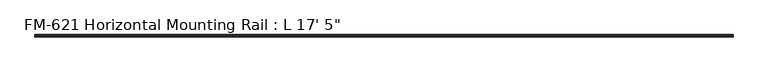
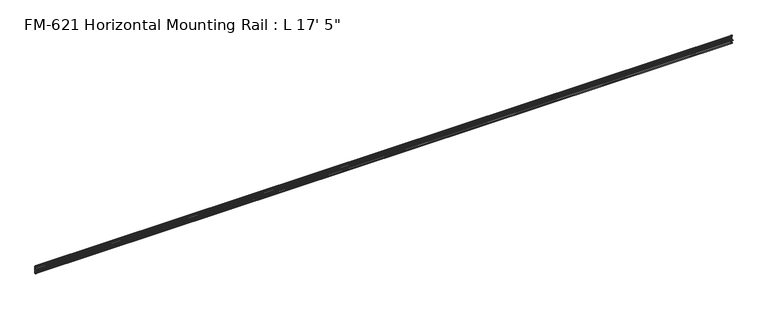
"""IFC4 building model written with IfcOpenShell, lengths in millimetres: proxy geometry."""

from ifc_helpers import new_model, si_unit, point, frame, frame_2d, origin, place, context, project, spatial, polyline, circle_curve, trimmed, segment, composite_curve, outline, extrude, source, transform, mapped, element, save


def proxy_afa64a6a(model_context):
    return source(origin(), model_context, "Body", "SweptSolid", [
        extrude(outline(composite_curve([segment(polyline([(13.6400687, 32.1158903), (15.4750158, 32.6885982)]), True, "CONTINUOUS"), segment(trimmed(circle_curve(frame_2d((15.6853088, 32.2686835)), 0.4696291), [point((15.4750158, 32.6885982))], [point((16.1549378, 32.2686835))], False, "CARTESIAN"), True, "CONTINUOUS"), segment(polyline([(16.1549378, 32.2686835), (16.1549378, 30.7270734)]), True, "CONTINUOUS"), segment(trimmed(circle_curve(frame_2d((17.7424378, 30.7270734)), 1.5875), [point((16.1549378, 30.7270734))], [point((17.7424378, 29.1395734))], True, "CARTESIAN"), True, "CONTINUOUS"), segment(polyline([(17.7424378, 29.1395734), (19.05, 29.1395734), (19.05, 0.0), (19.05, -27.5520734), (17.7424378, -27.5520734)]), True, "CONTINUOUS"), segment(trimmed(circle_curve(frame_2d((17.7424378, -29.1395734)), 1.5875), [point((17.7424378, -27.5520734))], [point((16.1549378, -29.1395734))], True, "CARTESIAN"), True, "CONTINUOUS"), segment(polyline([(16.1549378, -29.1395734), (16.1549378, -30.6811835)]), True, "CONTINUOUS"), segment(trimmed(circle_curve(frame_2d((15.6853088, -30.6811835)), 0.4696291), [point((16.1549378, -30.6811835))], [point((15.4750158, -31.1010982))], False, "CARTESIAN"), True, "CONTINUOUS"), segment(polyline([(15.4750158, -31.1010982), (13.6400687, -30.5283903)]), True, "CONTINUOUS"), segment(trimmed(circle_curve(frame_2d((14.5481808, -27.6188136)), 3.048), [point((13.6400687, -30.5283903))], [point((11.9462301, -29.2063136))], False, "CARTESIAN"), True, "CONTINUOUS"), segment(trimmed(circle_curve(frame_2d((14.5481808, -27.6188136)), 3.048), [point((11.9462301, -29.2063136))], [point((13.6400687, -24.7092369))], False, "CARTESIAN"), True, "CONTINUOUS"), segment(polyline([(13.6400687, -24.7092369), (15.4364113, -24.1485779)]), True, "CONTINUOUS"), segment(trimmed(circle_curve(frame_2d((15.6245238, -24.6872792)), 0.5706009), [point((15.4364113, -24.1485779))], [point((16.1779173, -24.8263515))], False, "CARTESIAN"), True, "CONTINUOUS"), segment(trimmed(circle_curve(frame_2d((16.9169378, -25.0120734)), 0.762), [point((16.1779173, -24.8263515))], [point((16.9376166, -25.7737928))], True, "CARTESIAN"), True, "CONTINUOUS"), segment(trimmed(circle_curve(frame_2d((16.9545, -25.2660734)), 0.508), [point((16.9376166, -25.7737928))], [point((17.4625, -25.2660734))], True, "CARTESIAN"), True, "CONTINUOUS"), segment(polyline([(17.4625, -25.2660734), (17.4625, -14.0784614), (17.9716639, -13.1610418), (17.9716639, -11.820881), (17.4625, -10.9034614), (17.4625, -1.9277595)]), True, "CONTINUOUS"), segment(trimmed(circle_curve(frame_2d((15.5575, -1.9277595)), 1.905), [point((17.4625, -1.9277595))], [point((15.5575, -0.0227595))], True, "CARTESIAN"), True, "CONTINUOUS"), segment(polyline([(15.5575, -0.0227595), (6.3855322, -0.0227595)]), True, "CONTINUOUS"), segment(trimmed(circle_curve(frame_2d((4.7981953, 0.0)), 1.5875), [point((6.3855322, -0.0227595))], [point((3.2106953, 0.0))], False, "CARTESIAN"), True, "CONTINUOUS"), segment(polyline([(3.2106953, 0.0), (0.0, 0.0), (0.0, 1.5875), (3.2106953, 1.5875)]), True, "CONTINUOUS"), segment(trimmed(circle_curve(frame_2d((4.7981953, 1.5875)), 1.5875), [point((3.2106953, 1.5875))], [point((6.3855322, 1.6102595))], False, "CARTESIAN"), True, "CONTINUOUS"), segment(polyline([(6.3855322, 1.6102595), (15.5575, 1.6102595)]), True, "CONTINUOUS"), segment(trimmed(circle_curve(frame_2d((15.5575, 3.5152595)), 1.905), [point((15.5575, 1.6102595))], [point((17.4625, 3.5152595))], True, "CARTESIAN"), True, "CONTINUOUS"), segment(polyline([(17.4625, 3.5152595), (17.4625, 12.4909614), (17.9716639, 13.408381), (17.9716639, 14.7485418), (17.4625, 15.6659614), (17.4625, 26.8535734)]), True, "CONTINUOUS"), segment(trimmed(circle_curve(frame_2d((16.9545, 26.8535734)), 0.508), [point((17.4625, 26.8535734))], [point((16.9376166, 27.3612928))], True, "CARTESIAN"), True, "CONTINUOUS"), segment(trimmed(circle_curve(frame_2d((16.9169378, 26.5995734)), 0.762), [point((16.9376166, 27.3612928))], [point((16.1779173, 26.4138515))], True, "CARTESIAN"), True, "CONTINUOUS"), segment(trimmed(circle_curve(frame_2d((15.6245238, 26.2747792)), 0.5706009), [point((16.1779173, 26.4138515))], [point((15.4364113, 25.7360779))], False, "CARTESIAN"), True, "CONTINUOUS"), segment(polyline([(15.4364113, 25.7360779), (13.6400687, 26.2967369)]), True, "CONTINUOUS"), segment(trimmed(circle_curve(frame_2d((14.5481808, 29.2063136)), 3.048), [point((13.6400687, 26.2967369))], [point((11.9462301, 30.7938136))], False, "CARTESIAN"), True, "CONTINUOUS"), segment(trimmed(circle_curve(frame_2d((14.5481808, 29.2063136)), 3.048), [point((11.9462301, 30.7938136))], [point((13.6400687, 32.1158903))], False, "CARTESIAN"), True, "CONTINUOUS")], self_intersect=False)), frame((0.0, 0.0, 0.0), z_axis=(1.0, 0.0, 0.0), x_axis=(0.0, 1.0, 0.0)), (0.0, 0.0, 1.0), 5308.6),
    ])


if __name__ == "__main__":
    model = new_model("IFC4")
    model_context = context("Model", 3, world=origin())
    ifc_project = project(units=[si_unit("LENGTHUNIT", "METRE", prefix="MILLI")], contexts=[model_context])
    site = spatial("IfcSite", under=ifc_project)
    building = spatial("IfcBuilding", under=site)
    placement = place(None, origin())
    proxy_shape = proxy_afa64a6a(model_context)
    element("IfcBuildingElementProxy", 1, Name="FM-621 Horizontal Mounting Rail : L 17' 5\"", ObjectType="FM-621 Horizontal Mounting Rail : L 17' 5\"", at=placement, inside=building, context=model_context, shape_type="MappedRepresentation", body=[
        mapped(proxy_shape, transform((0.0, 0.0, 0.0), x_axis=(1.0, 0.0, 0.0), y_axis=(0.0, 1.0, 0.0), z_axis=(0.0, 0.0, 1.0))),
    ])
    save(model, "model.ifc")
